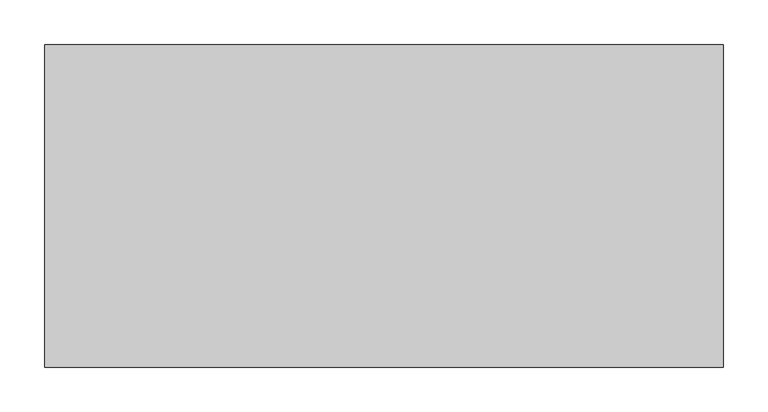
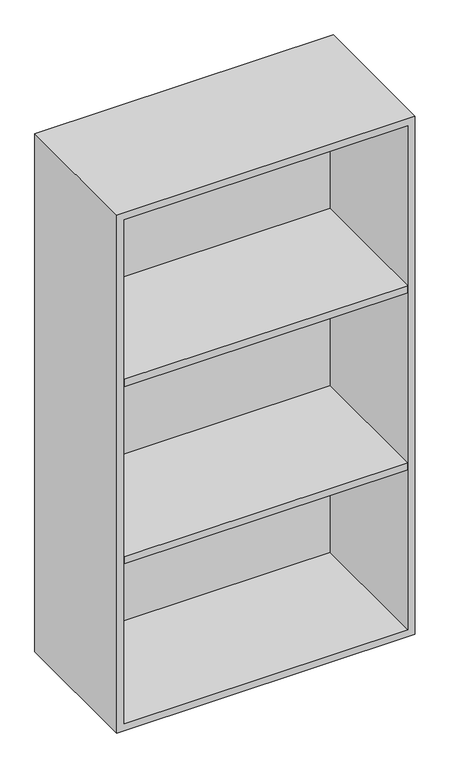
"""IFC4 building model written with IfcOpenShell, lengths in millimetres: furniture geometry."""

from ifc_helpers import new_model, si_unit, frame, origin, place, context, project, spatial, polyline, outline, extrude, source, transform, mapped, element, save


def furniture_24d361b9(model_context):
    return source(origin(), model_context, "Body", "SweptSolid", [
        extrude(outline(polyline([(361.9569453, 161.925), (361.9569453, -180.975), (-361.9291641, -180.975), (-361.9291641, 161.925), (361.9569453, 161.925)])), frame((0.0, 0.0, 1664.7583333), z_axis=(0.0, 0.0, 1.0), x_axis=(1.0, 0.0, 0.0)), (0.0, 0.0, 1.0), 19.05),
        extrude(outline(polyline([(361.9569453, 161.925), (361.9569453, -180.975), (-361.9291641, -180.975), (-361.9291641, 161.925), (361.9569453, 161.925)])), frame((0.0, 0.0, 1186.3916667), z_axis=(0.0, 0.0, 1.0), x_axis=(1.0, 0.0, 0.0)), (0.0, 0.0, 1.0), 19.05),
        extrude(outline(polyline([(736.6, -380.9861094), (736.6, 381.0138906), (2133.6, 381.0138906), (2133.6, -380.9861094), (736.6, -380.9861094)]), holes=[polyline([(755.65, -361.9361094), (2114.55, -361.9361094), (2114.55, 361.9569453), (755.65, 361.9569453), (755.65, -361.9361094)])]), frame((0.0, -180.975, 0.0), z_axis=(0.0, 1.0, 0.0), x_axis=(0.0, 0.0, 1.0)), (0.0, 0.0, 1.0), 361.95),
        extrude(outline(polyline([(-361.9291641, 161.925), (-361.9291641, 180.975), (361.9569453, 180.975), (361.9569453, 161.925), (-361.9291641, 161.925)])), frame((0.0, 0.0, 755.65), z_axis=(0.0, 0.0, 1.0), x_axis=(1.0, 0.0, 0.0)), (0.0, 0.0, 1.0), 1358.9),
    ])


if __name__ == "__main__":
    model = new_model("IFC4")
    model_context = context("Model", 3, world=origin())
    ifc_project = project(units=[si_unit("LENGTHUNIT", "METRE", prefix="MILLI")], contexts=[model_context])
    site = spatial("IfcSite", under=ifc_project)
    building = spatial("IfcBuilding", under=site)
    placement = place(None, origin())
    furniture_shape = furniture_24d361b9(model_context)
    element("IfcFurniture", 1, at=placement, inside=building, context=model_context, shape_type="MappedRepresentation", body=[
        mapped(furniture_shape, transform((0.0, 0.0, 0.0), x_axis=(1.0, 0.0, 0.0), y_axis=(0.0, 1.0, 0.0), z_axis=(0.0, 0.0, 1.0))),
    ])
    save(model, "model.ifc")
